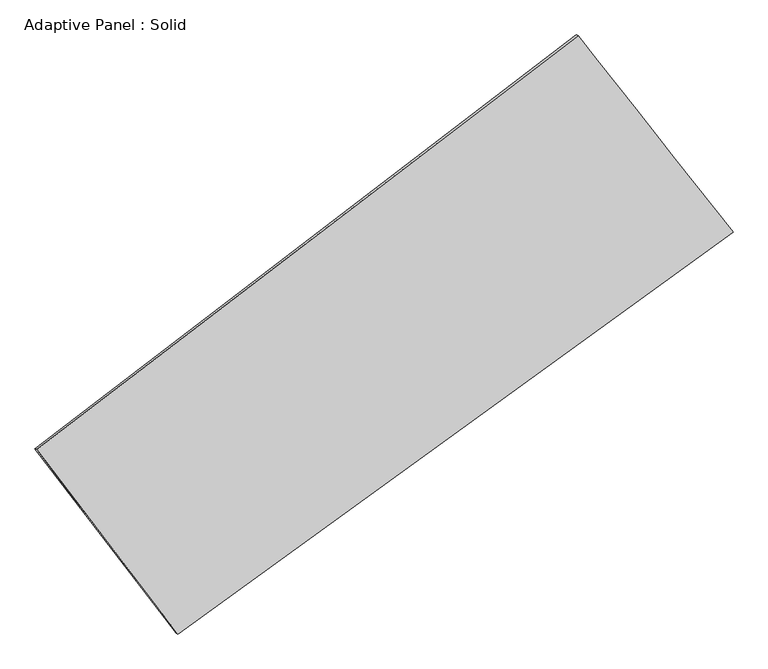
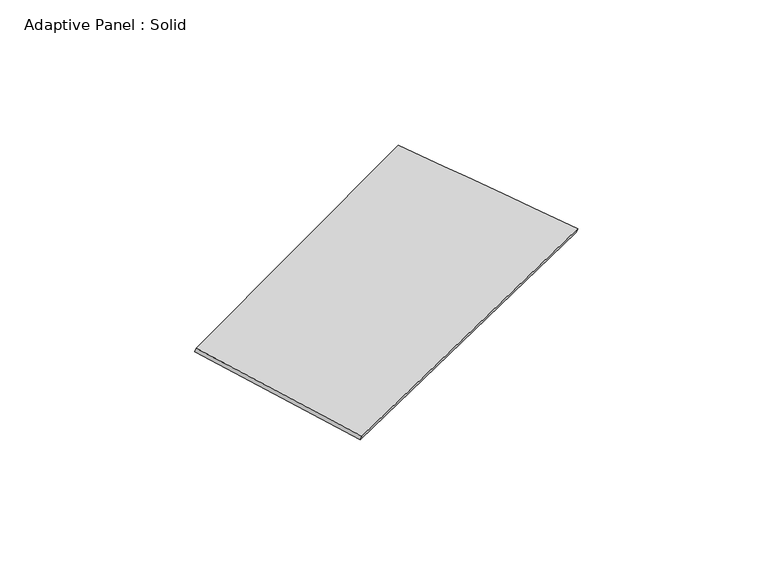
"""IFC4 building model written with IfcOpenShell, lengths in millimetres: plate geometry, Adaptive Panel : Solid."""

from ifc_helpers import new_model, si_unit, frame, origin, place, context, project, spatial, source, transform, mapped, element, save
from ifc_brep_helpers import plane_surface, spline_surface, advanced_brep


def adaptive_panel_solid_24d5a61f(model_context):
    return source(origin(), model_context, "Body", "AdvancedBrep", [
        advanced_brep(
        [(1026.841142, 2480.7582692, 666.7581239), (-3592.7606554, -1054.2189618, 1688.2086774), (-3578.0942996, -1060.5990553, 1735.5815854), (1041.5074978, 2474.3781757, 714.1310319), (-2387.4505423, -2629.4922155, 1033.7048806), (-2372.7841865, -2635.872309, 1081.0777886), (2350.0794777, 802.7043353, 96.4508383), (2364.7458335, 796.3242418, 143.8237464)],
        [
            (0, 1),
            (1, 2),
            (2, 3),
            (3, 0),
            (1, 4),
            (4, 5),
            (5, 2),
            (4, 6),
            (6, 7),
            (7, 5),
            (6, 0),
            (3, 7),
        ],
        [
            plane_surface(frame((-1282.9597567, 713.2696537, 1177.4834006), z_axis=(-0.5450598849992119, 0.7918756668489635, 0.2753954429854559), x_axis=(-0.7821956464903846, -0.5985459184129155, 0.1729530403396506))),
            plane_surface(frame((-2990.1055989, -1841.8555887, 1360.956779), z_axis=(-0.7549214550842102, -0.6389751452186909, 0.14766299619841045), x_axis=(0.5770646020762294, -0.7541913267355626, -0.313355848369637))),
            plane_surface(frame((-18.6855323, -913.3939401, 565.0778595), z_axis=(0.5287059546881333, -0.8040528848986652, -0.2719723731621344), x_axis=(0.7996174749820862, 0.5792985644439383, -0.15819313176135344))),
            plane_surface(frame((1688.4603098, 1641.7313022, 381.6044811), z_axis=(0.7520153015023747, 0.6427138336014617, -0.14625974977281198), x_axis=(-0.5982621353606266, 0.7586812614725126, 0.2578471657478912))),
            spline_surface(1, 1, [[(-3578.0942996, -1060.5990553, 1735.5815854), (1041.5074978, 2474.3781757, 714.1310319)], [(-2372.7841865, -2635.872309, 1081.0777886), (2364.7458335, 796.3242418, 143.8237464)]], [2, 2], [2, 2], [0.0, 1.0], [0.0, 1.0]),
            spline_surface(1, 1, [[(2350.0794777, 802.7043353, 96.4508383), (1026.841142, 2480.7582692, 666.7581239)], [(-2387.4505423, -2629.4922155, 1033.7048806), (-3592.7606554, -1054.2189618, 1688.2086774)]], [2, 2], [2, 2], [0.0, 1.0], [0.0, 1.0]),
        ],
        [
            (0, [[1, 2, 3, 4]]),
            (1, [[5, 6, 7, -2]]),
            (2, [[8, 9, 10, -6]]),
            (3, [[11, -4, 12, -9]]),
            (4, [[-3, -7, -10, -12]]),
            (5, [[-11, -8, -5, -1]]),
        ],
    ),
    ])


if __name__ == "__main__":
    model = new_model("IFC4")
    model_context = context("Model", 3, world=origin())
    ifc_project = project(units=[si_unit("LENGTHUNIT", "METRE", prefix="MILLI")], contexts=[model_context])
    site = spatial("IfcSite", under=ifc_project)
    building = spatial("IfcBuilding", under=site)
    placement = place(None, origin())
    adaptive_panel_solid_shape = adaptive_panel_solid_24d5a61f(model_context)
    element("IfcPlate", 1, ObjectType="Adaptive Panel : Solid", at=placement, inside=building, context=model_context, shape_type="MappedRepresentation", body=[
        mapped(adaptive_panel_solid_shape, transform((0.0, 0.0, 0.0), x_axis=(1.0, 0.0, 0.0), y_axis=(0.0, 1.0, 0.0), z_axis=(0.0, 0.0, 1.0))),
    ])
    save(model, "model.ifc")
